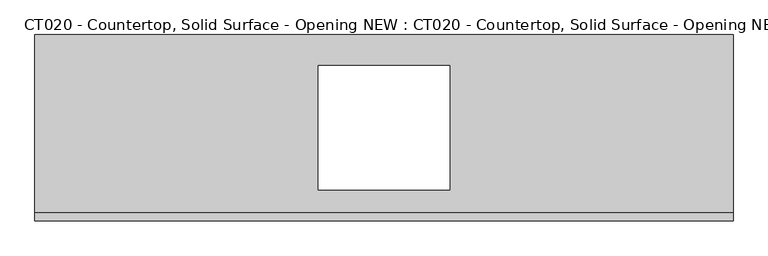
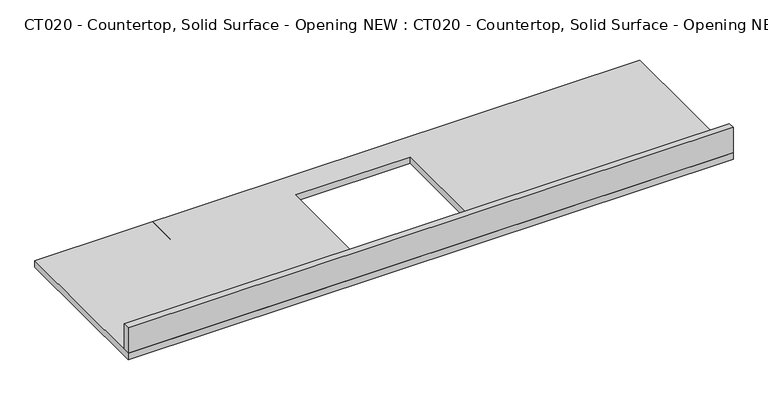
"""IFC4 building model written with IfcOpenShell, lengths in millimetres: proxy geometry, CT020 - Countertop, Solid Surface - Opening NEW : CT020 - Countertop, Solid Surface - Opening NEW."""

from ifc_helpers import new_model, si_unit, frame, origin, origin_with_axes, place, context, project, spatial, polyline, outline, extrude, source, transform, mapped, element, save


def ct020_countertop_solid_surface_opening_new_ct020_countertop_ce629942(model_context):
    return source(origin(), model_context, "Body", "SweptSolid", [
        extrude(outline(polyline([(1689.1, -304.8), (-596.9, -304.8), (-596.9, 304.8), (1689.1, 304.8), (1689.1, -304.8)]), holes=[polyline([(762.0, -203.2), (762.0, 203.2), (330.2, 203.2), (330.2, -203.2), (762.0, -203.2)])]), origin_with_axes(), (0.0, 0.0, 1.0), 25.4),
        extrude(outline(polyline([(-596.9, -279.4), (1689.1, -279.4), (1689.1, -304.8), (-596.9, -304.8), (-596.9, -279.4)])), frame((0.0, 0.0, 25.4), z_axis=(0.0, 0.0, 1.0), x_axis=(1.0, 0.0, 0.0)), (0.0, 0.0, 1.0), 101.6),
        extrude(outline(polyline([(-152.4, -304.8), (-152.4, 0.0), (-152.4, 304.8), (152.4, 304.8), (152.4, -304.8), (-152.4, -304.8)])), origin_with_axes(), (0.0, 0.0, 1.0), 25.4),
    ])


if __name__ == "__main__":
    model = new_model("IFC4")
    model_context = context("Model", 3, world=origin())
    ifc_project = project(units=[si_unit("LENGTHUNIT", "METRE", prefix="MILLI")], contexts=[model_context])
    site = spatial("IfcSite", under=ifc_project)
    building = spatial("IfcBuilding", under=site)
    placement = place(None, origin())
    ct020_countertop_solid_surface_opening_new_ct020_countertop_shape = ct020_countertop_solid_surface_opening_new_ct020_countertop_ce629942(model_context)
    element("IfcBuildingElementProxy", 1, Name="CT020 - Countertop, Solid Surface - Opening NEW : CT020 - Countertop, Solid Surface - Opening NEW", ObjectType="CT020 - Countertop, Solid Surface - Opening NEW : CT020 - Countertop, Solid Surface - Opening NEW", at=placement, inside=building, context=model_context, shape_type="MappedRepresentation", body=[
        mapped(ct020_countertop_solid_surface_opening_new_ct020_countertop_shape, transform((0.0, 0.0, 0.0), x_axis=(1.0, 0.0, 0.0), y_axis=(0.0, 1.0, 0.0), z_axis=(0.0, 0.0, 1.0))),
    ])
    save(model, "model.ifc")
